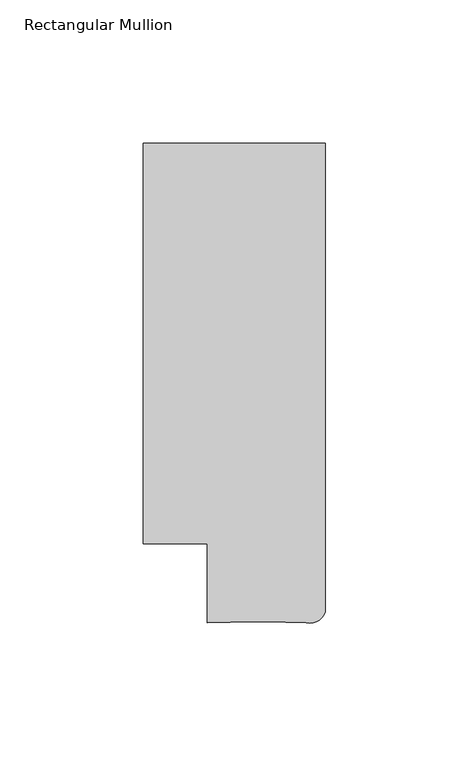
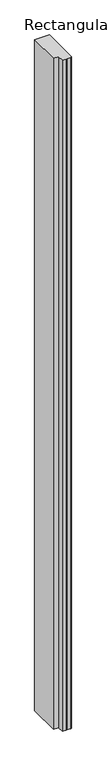
"""IFC4 building model written with IfcOpenShell, lengths in millimetres: member geometry, Rectangular Mullion."""

import ifcopenshell
import ifcopenshell.guid

model = None  # the IFC model being written
_history = None  # IfcOwnerHistory: only IFC2X3 demands one
_inside = {}  # id of a spatial element -> (the spatial element, [elements in it])
_under = {}  # id of a project, library or spatial element -> (it, [spatial elements below it])
_declared = {}  # id of a project -> (the project, [libraries it declares])
_typed = {}  # id of a type object -> (the type object, [elements of that type])
_made_of = {}  # id of a material, layer set ... -> (it, [elements and type objects made of it])


def new_model(schema):
    """Start an empty IFC model of exactly this schema.

    Asked for "IFC4X3", IfcOpenShell would pick the latest addendum, in which some entities
    have other attributes; the version numbers below select the first issue.
    IFC2X3 requires an IfcOwnerHistory on every rooted entity: one is made here for all.
    """
    global model, _history
    if schema == "IFC4X3":
        model = ifcopenshell.file(schema_version=(4, 3, 0, 0))
    else:
        model = ifcopenshell.file(schema=schema)
    _inside.clear()
    _under.clear()
    _declared.clear()
    _typed.clear()
    _made_of.clear()
    _history = None
    if model.schema == "IFC2X3":
        org = make("IfcOrganization", Name="unknown")
        user = make(
            "IfcPersonAndOrganization",
            ThePerson=make("IfcPerson", FamilyName="unknown"),
            TheOrganization=org,
        )
        app = make(
            "IfcApplication",
            ApplicationDeveloper=org,
            Version="unknown",
            ApplicationFullName="unknown",
            ApplicationIdentifier="unknown",
        )
        _history = make(
            "IfcOwnerHistory",
            OwningUser=user,
            OwningApplication=app,
            ChangeAction="ADDED",
            CreationDate=0,
        )
    return model


def make(cls, **values):
    """One entity of the class cls with the attributes given. An attribute that is None is left unset."""
    return model.create_entity(
        cls, **{name: value for name, value in values.items() if value is not None}
    )


def rooted(cls, **values):
    """An entity with a GlobalId (a new one), such as an element, a storey or a relation."""
    return make(cls, GlobalId=ifcopenshell.guid.new(), OwnerHistory=_history, **values)


def si_unit(unit_type, name, prefix=None):
    """IfcSIUnit, for example si_unit("LENGTHUNIT", "METRE", prefix="MILLI")."""
    return make("IfcSIUnit", UnitType=unit_type, Prefix=prefix, Name=name)


def assignment(units):
    """IfcUnitAssignment: the units of a project."""
    return None if units is None else make("IfcUnitAssignment", Units=units)


def point(xyz):
    """IfcCartesianPoint."""
    return None if xyz is None else make("IfcCartesianPoint", Coordinates=xyz)


def direction(xyz):
    """IfcDirection."""
    return None if xyz is None else make("IfcDirection", DirectionRatios=xyz)


def frame(location, z_axis=None, x_axis=None):
    """IfcAxis2Placement3D, a coordinate frame: its origin and axes. An axis left out is left unset."""
    return make(
        "IfcAxis2Placement3D",
        Location=point(location),
        Axis=direction(z_axis),
        RefDirection=direction(x_axis),
    )


def frame_2d(location, x_axis=None):
    """IfcAxis2Placement2D, a coordinate frame in the plane: its origin and x axis."""
    return make(
        "IfcAxis2Placement2D", Location=point(location), RefDirection=direction(x_axis)
    )


def origin():
    """The frame at (0, 0, 0) with its axes left unset."""
    return frame((0.0, 0.0, 0.0))


def place(relative_to, where):
    """IfcLocalPlacement: puts the frame where relative to a parent placement (None: the world)."""
    return make(
        "IfcLocalPlacement", PlacementRelTo=relative_to, RelativePlacement=where
    )


def context(
    kind, dimensions, precision=None, world=None, true_north=None, identifier=None
):
    """IfcGeometricRepresentationContext, for example the 3D "Model" context."""
    return make(
        "IfcGeometricRepresentationContext",
        ContextIdentifier=identifier,
        ContextType=kind,
        CoordinateSpaceDimension=dimensions,
        Precision=precision,
        WorldCoordinateSystem=world,
        TrueNorth=true_north,
    )


def project(units=None, contexts=None):
    """IfcProject with its units and contexts."""
    return rooted(
        "IfcProject",
        Name="project",
        RepresentationContexts=contexts,
        UnitsInContext=assignment(units),
    )


def spatial(cls, under=None, at=None, **own):
    """A site, building, storey or space (cls), placed at a placement, below another one or the project."""
    s = rooted(cls, ObjectPlacement=at, **own)
    if under is not None:
        _under.setdefault(under.id(), (under, []))[1].append(s)
    return s


def polyline(points):
    """IfcPolyline through the points."""
    return make("IfcPolyline", Points=[point(p) for p in points])


def circle_curve(where, radius):
    """IfcCircle in the frame where."""
    return make("IfcCircle", Position=where, Radius=radius)


def trimmed(basis, trim1, trim2, sense, master):
    """IfcTrimmedCurve: the piece of a basis curve between two trims."""
    return make(
        "IfcTrimmedCurve",
        BasisCurve=basis,
        Trim1=trim1,
        Trim2=trim2,
        SenseAgreement=sense,
        MasterRepresentation=master,
    )


def segment(curve, same_sense, transition):
    """IfcCompositeCurveSegment."""
    return make(
        "IfcCompositeCurveSegment",
        Transition=transition,
        SameSense=same_sense,
        ParentCurve=curve,
    )


def composite_curve(segments, self_intersect=None):
    """IfcCompositeCurve: segments joined end to end."""
    return make("IfcCompositeCurve", Segments=segments, SelfIntersect=self_intersect)


def outline(outer, holes=None, kind="AREA"):
    """IfcArbitraryClosedProfileDef: a profile drawn as a closed curve; with holes, ...WithVoids."""
    if holes is None:
        return make("IfcArbitraryClosedProfileDef", ProfileType=kind, OuterCurve=outer)
    return make(
        "IfcArbitraryProfileDefWithVoids",
        ProfileType=kind,
        OuterCurve=outer,
        InnerCurves=holes,
    )


def extrude(swept, where, along, depth):
    """IfcExtrudedAreaSolid: the profile swept, set in the frame where, extruded along a direction by depth."""
    return make(
        "IfcExtrudedAreaSolid",
        SweptArea=swept,
        Position=where,
        ExtrudedDirection=direction(along),
        Depth=depth,
    )


def shape(context_of_items, identifier, shape_type, items):
    """IfcShapeRepresentation: the items that make up one representation, for example the "Body"."""
    return make(
        "IfcShapeRepresentation",
        ContextOfItems=context_of_items,
        RepresentationIdentifier=identifier,
        RepresentationType=shape_type,
        Items=items,
    )


def source(mapping_origin, context_of_items, identifier, shape_type, items):
    """IfcRepresentationMap: a shape defined once, which mapped items show again and again."""
    return make(
        "IfcRepresentationMap",
        MappingOrigin=mapping_origin,
        MappedRepresentation=shape(context_of_items, identifier, shape_type, items),
    )


def transform(
    local_origin,
    x_axis=None,
    y_axis=None,
    z_axis=None,
    scale=None,
    scale2=None,
    scale3=None,
    uniform=True,
):
    """IfcCartesianTransformationOperator3D, or its non-uniform kind. x_axis, y_axis, z_axis: its Axis1, 2, 3."""
    if uniform:
        return make(
            "IfcCartesianTransformationOperator3D",
            Axis1=direction(x_axis),
            Axis2=direction(y_axis),
            LocalOrigin=point(local_origin),
            Scale=scale,
            Axis3=direction(z_axis),
        )
    return make(
        "IfcCartesianTransformationOperator3DnonUniform",
        Axis1=direction(x_axis),
        Axis2=direction(y_axis),
        LocalOrigin=point(local_origin),
        Scale=scale,
        Axis3=direction(z_axis),
        Scale2=scale2,
        Scale3=scale3,
    )


def mapped(mapping_source, mapping_target):
    """IfcMappedItem: shows the shape of a source again, moved by a transform."""
    return make(
        "IfcMappedItem", MappingSource=mapping_source, MappingTarget=mapping_target
    )


def made_of(thing, what):
    """Note that an element or type object is made of a material, layer set ...; save() writes the relation."""
    if what is not None:
        _made_of.setdefault(what.id(), (what, []))[1].append(thing)
    return thing


def element(
    cls,
    number,
    at=None,
    inside=None,
    cuts=None,
    type_object=None,
    material=None,
    context=None,
    identifier="Body",
    shape_type=None,
    held_by="IfcProductDefinitionShape",
    body=None,
    shapes=None,
    **own,
):
    """One element of the class cls, such as IfcWall. Its Tag is "e" and its number.

    at: its placement. inside: the storey or other place that contains it. cuts: it is an
    opening in that element (IfcRelVoidsElement). A single representation is given by context,
    identifier, shape_type and body (its items); several are given by shapes. held_by: the class
    of the entity that holds the representations. save() writes the other relations.
    """
    e = rooted(cls, Tag="e%d" % number, ObjectPlacement=at, **own)
    if body is not None:
        shapes = [shape(context, identifier, shape_type, body)]
    if shapes is not None:
        e.Representation = make(held_by, Representations=shapes)
    if inside is not None:
        _inside.setdefault(inside.id(), (inside, []))[1].append(e)
    if cuts is not None:
        rooted(
            "IfcRelVoidsElement", RelatingBuildingElement=cuts, RelatedOpeningElement=e
        )
    if type_object is not None:
        _typed.setdefault(type_object.id(), (type_object, []))[1].append(e)
    return made_of(e, material)


def aggregate(whole, parts):
    """IfcRelAggregates: a whole, such as a stair, and the parts it consists of."""
    return rooted("IfcRelAggregates", RelatingObject=whole, RelatedObjects=parts)


def save(model, path):
    """Write the relations noted so far, then the file.

    IfcRelAggregates (storeys below a building ...), IfcRelContainedInSpatialStructure (elements
    in a storey), IfcRelDefinesByType, IfcRelAssociatesMaterial and IfcRelDeclares: one each for
    every whole, place, type object, material and project.
    """
    for whole, parts in _under.values():
        aggregate(whole, parts)
    for where, things in _inside.values():
        rooted(
            "IfcRelContainedInSpatialStructure",
            RelatedElements=things,
            RelatingStructure=where,
        )
    for kind, things in _typed.values():
        rooted("IfcRelDefinesByType", RelatedObjects=things, RelatingType=kind)
    for what, things in _made_of.values():
        rooted("IfcRelAssociatesMaterial", RelatedObjects=things, RelatingMaterial=what)
    for by, libraries in _declared.values():
        rooted("IfcRelDeclares", RelatingContext=by, RelatedDefinitions=libraries)
    model.write(path)


def rectangular_mullion_c96296de(model_context):
    return source(origin(), model_context, "Body", "SweptSolid", [
        extrude(outline(composite_curve([segment(polyline([(-63.5, 139.6929896), (0.0, 139.6929896), (0.0, -23.8060059)]), True, "CONTINUOUS"), segment(trimmed(circle_curve(frame_2d((-5.5577367, -21.727811)), 5.9335766), [point((0.0, -23.8060059))], [point((-6.6765587, -27.5549516))], False, "CARTESIAN"), True, "CONTINUOUS"), segment(polyline([(-6.6765587, -27.5549516), (-21.1935714, -27.1215126), (-24.990061, -27.1215126), (-41.2794957, -27.5669145), (-41.2794957, -0.0070054), (-63.5, -0.0070054), (-63.5, 139.6929896)]), True, "CONTINUOUS")], self_intersect=False)), frame((0.0, 0.0, -3048.0), z_axis=(0.0, 0.0, 1.0), x_axis=(1.0, 0.0, 0.0)), (0.0, 0.0, 1.0), 3048.0),
    ])


if __name__ == "__main__":
    model = new_model("IFC4")
    model_context = context("Model", 3, world=origin())
    ifc_project = project(units=[si_unit("LENGTHUNIT", "METRE", prefix="MILLI")], contexts=[model_context])
    site = spatial("IfcSite", under=ifc_project)
    building = spatial("IfcBuilding", under=site)
    placement = place(None, origin())
    rectangular_mullion_shape = rectangular_mullion_c96296de(model_context)
    element("IfcMember", 1, ObjectType="Rectangular Mullion", at=placement, inside=building, context=model_context, shape_type="MappedRepresentation", body=[
        mapped(rectangular_mullion_shape, transform((0.0, 0.0, 0.0), x_axis=(1.0, 0.0, 0.0), y_axis=(0.0, 1.0, 0.0), z_axis=(0.0, 0.0, 1.0))),
    ])
    save(model, "model.ifc")
